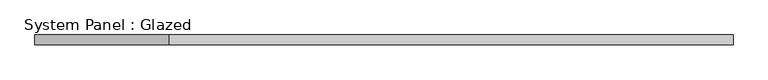
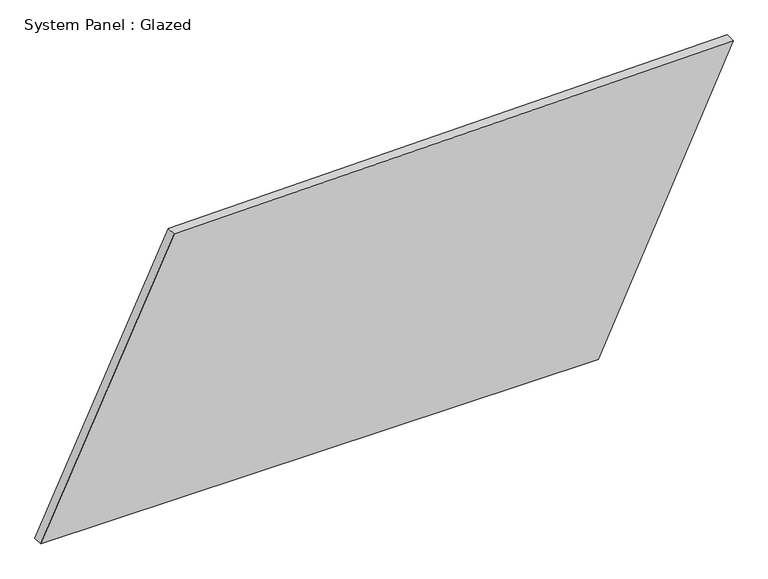
"""IFC4 building model written with IfcOpenShell, lengths in millimetres: plate geometry, System Panel : Glazed."""

import ifcopenshell
import ifcopenshell.guid

model = None  # the IFC model being written
_history = None  # IfcOwnerHistory: only IFC2X3 demands one
_inside = {}  # id of a spatial element -> (the spatial element, [elements in it])
_under = {}  # id of a project, library or spatial element -> (it, [spatial elements below it])
_declared = {}  # id of a project -> (the project, [libraries it declares])
_typed = {}  # id of a type object -> (the type object, [elements of that type])
_made_of = {}  # id of a material, layer set ... -> (it, [elements and type objects made of it])


def new_model(schema):
    """Start an empty IFC model of exactly this schema.

    Asked for "IFC4X3", IfcOpenShell would pick the latest addendum, in which some entities
    have other attributes; the version numbers below select the first issue.
    IFC2X3 requires an IfcOwnerHistory on every rooted entity: one is made here for all.
    """
    global model, _history
    if schema == "IFC4X3":
        model = ifcopenshell.file(schema_version=(4, 3, 0, 0))
    else:
        model = ifcopenshell.file(schema=schema)
    _inside.clear()
    _under.clear()
    _declared.clear()
    _typed.clear()
    _made_of.clear()
    _history = None
    if model.schema == "IFC2X3":
        org = make("IfcOrganization", Name="unknown")
        user = make(
            "IfcPersonAndOrganization",
            ThePerson=make("IfcPerson", FamilyName="unknown"),
            TheOrganization=org,
        )
        app = make(
            "IfcApplication",
            ApplicationDeveloper=org,
            Version="unknown",
            ApplicationFullName="unknown",
            ApplicationIdentifier="unknown",
        )
        _history = make(
            "IfcOwnerHistory",
            OwningUser=user,
            OwningApplication=app,
            ChangeAction="ADDED",
            CreationDate=0,
        )
    return model


def make(cls, **values):
    """One entity of the class cls with the attributes given. An attribute that is None is left unset."""
    return model.create_entity(
        cls, **{name: value for name, value in values.items() if value is not None}
    )


def rooted(cls, **values):
    """An entity with a GlobalId (a new one), such as an element, a storey or a relation."""
    return make(cls, GlobalId=ifcopenshell.guid.new(), OwnerHistory=_history, **values)


def si_unit(unit_type, name, prefix=None):
    """IfcSIUnit, for example si_unit("LENGTHUNIT", "METRE", prefix="MILLI")."""
    return make("IfcSIUnit", UnitType=unit_type, Prefix=prefix, Name=name)


def assignment(units):
    """IfcUnitAssignment: the units of a project."""
    return None if units is None else make("IfcUnitAssignment", Units=units)


def point(xyz):
    """IfcCartesianPoint."""
    return None if xyz is None else make("IfcCartesianPoint", Coordinates=xyz)


def direction(xyz):
    """IfcDirection."""
    return None if xyz is None else make("IfcDirection", DirectionRatios=xyz)


def frame(location, z_axis=None, x_axis=None):
    """IfcAxis2Placement3D, a coordinate frame: its origin and axes. An axis left out is left unset."""
    return make(
        "IfcAxis2Placement3D",
        Location=point(location),
        Axis=direction(z_axis),
        RefDirection=direction(x_axis),
    )


def origin():
    """The frame at (0, 0, 0) with its axes left unset."""
    return frame((0.0, 0.0, 0.0))


def place(relative_to, where):
    """IfcLocalPlacement: puts the frame where relative to a parent placement (None: the world)."""
    return make(
        "IfcLocalPlacement", PlacementRelTo=relative_to, RelativePlacement=where
    )


def context(
    kind, dimensions, precision=None, world=None, true_north=None, identifier=None
):
    """IfcGeometricRepresentationContext, for example the 3D "Model" context."""
    return make(
        "IfcGeometricRepresentationContext",
        ContextIdentifier=identifier,
        ContextType=kind,
        CoordinateSpaceDimension=dimensions,
        Precision=precision,
        WorldCoordinateSystem=world,
        TrueNorth=true_north,
    )


def project(units=None, contexts=None):
    """IfcProject with its units and contexts."""
    return rooted(
        "IfcProject",
        Name="project",
        RepresentationContexts=contexts,
        UnitsInContext=assignment(units),
    )


def spatial(cls, under=None, at=None, **own):
    """A site, building, storey or space (cls), placed at a placement, below another one or the project."""
    s = rooted(cls, ObjectPlacement=at, **own)
    if under is not None:
        _under.setdefault(under.id(), (under, []))[1].append(s)
    return s


def polyline(points):
    """IfcPolyline through the points."""
    return make("IfcPolyline", Points=[point(p) for p in points])


def outline(outer, holes=None, kind="AREA"):
    """IfcArbitraryClosedProfileDef: a profile drawn as a closed curve; with holes, ...WithVoids."""
    if holes is None:
        return make("IfcArbitraryClosedProfileDef", ProfileType=kind, OuterCurve=outer)
    return make(
        "IfcArbitraryProfileDefWithVoids",
        ProfileType=kind,
        OuterCurve=outer,
        InnerCurves=holes,
    )


def extrude(swept, where, along, depth):
    """IfcExtrudedAreaSolid: the profile swept, set in the frame where, extruded along a direction by depth."""
    return make(
        "IfcExtrudedAreaSolid",
        SweptArea=swept,
        Position=where,
        ExtrudedDirection=direction(along),
        Depth=depth,
    )


def shape(context_of_items, identifier, shape_type, items):
    """IfcShapeRepresentation: the items that make up one representation, for example the "Body"."""
    return make(
        "IfcShapeRepresentation",
        ContextOfItems=context_of_items,
        RepresentationIdentifier=identifier,
        RepresentationType=shape_type,
        Items=items,
    )


def source(mapping_origin, context_of_items, identifier, shape_type, items):
    """IfcRepresentationMap: a shape defined once, which mapped items show again and again."""
    return make(
        "IfcRepresentationMap",
        MappingOrigin=mapping_origin,
        MappedRepresentation=shape(context_of_items, identifier, shape_type, items),
    )


def transform(
    local_origin,
    x_axis=None,
    y_axis=None,
    z_axis=None,
    scale=None,
    scale2=None,
    scale3=None,
    uniform=True,
):
    """IfcCartesianTransformationOperator3D, or its non-uniform kind. x_axis, y_axis, z_axis: its Axis1, 2, 3."""
    if uniform:
        return make(
            "IfcCartesianTransformationOperator3D",
            Axis1=direction(x_axis),
            Axis2=direction(y_axis),
            LocalOrigin=point(local_origin),
            Scale=scale,
            Axis3=direction(z_axis),
        )
    return make(
        "IfcCartesianTransformationOperator3DnonUniform",
        Axis1=direction(x_axis),
        Axis2=direction(y_axis),
        LocalOrigin=point(local_origin),
        Scale=scale,
        Axis3=direction(z_axis),
        Scale2=scale2,
        Scale3=scale3,
    )


def mapped(mapping_source, mapping_target):
    """IfcMappedItem: shows the shape of a source again, moved by a transform."""
    return make(
        "IfcMappedItem", MappingSource=mapping_source, MappingTarget=mapping_target
    )


def made_of(thing, what):
    """Note that an element or type object is made of a material, layer set ...; save() writes the relation."""
    if what is not None:
        _made_of.setdefault(what.id(), (what, []))[1].append(thing)
    return thing


def element(
    cls,
    number,
    at=None,
    inside=None,
    cuts=None,
    type_object=None,
    material=None,
    context=None,
    identifier="Body",
    shape_type=None,
    held_by="IfcProductDefinitionShape",
    body=None,
    shapes=None,
    **own,
):
    """One element of the class cls, such as IfcWall. Its Tag is "e" and its number.

    at: its placement. inside: the storey or other place that contains it. cuts: it is an
    opening in that element (IfcRelVoidsElement). A single representation is given by context,
    identifier, shape_type and body (its items); several are given by shapes. held_by: the class
    of the entity that holds the representations. save() writes the other relations.
    """
    e = rooted(cls, Tag="e%d" % number, ObjectPlacement=at, **own)
    if body is not None:
        shapes = [shape(context, identifier, shape_type, body)]
    if shapes is not None:
        e.Representation = make(held_by, Representations=shapes)
    if inside is not None:
        _inside.setdefault(inside.id(), (inside, []))[1].append(e)
    if cuts is not None:
        rooted(
            "IfcRelVoidsElement", RelatingBuildingElement=cuts, RelatedOpeningElement=e
        )
    if type_object is not None:
        _typed.setdefault(type_object.id(), (type_object, []))[1].append(e)
    return made_of(e, material)


def aggregate(whole, parts):
    """IfcRelAggregates: a whole, such as a stair, and the parts it consists of."""
    return rooted("IfcRelAggregates", RelatingObject=whole, RelatedObjects=parts)


def save(model, path):
    """Write the relations noted so far, then the file.

    IfcRelAggregates (storeys below a building ...), IfcRelContainedInSpatialStructure (elements
    in a storey), IfcRelDefinesByType, IfcRelAssociatesMaterial and IfcRelDeclares: one each for
    every whole, place, type object, material and project.
    """
    for whole, parts in _under.values():
        aggregate(whole, parts)
    for where, things in _inside.values():
        rooted(
            "IfcRelContainedInSpatialStructure",
            RelatedElements=things,
            RelatingStructure=where,
        )
    for kind, things in _typed.values():
        rooted("IfcRelDefinesByType", RelatedObjects=things, RelatingType=kind)
    for what, things in _made_of.values():
        rooted("IfcRelAssociatesMaterial", RelatedObjects=things, RelatingMaterial=what)
    for by, libraries in _declared.values():
        rooted("IfcRelDeclares", RelatingContext=by, RelatedDefinitions=libraries)
    model.write(path)


def system_panel_glazed_625e01a6(model_context):
    return source(origin(), model_context, "Body", "SweptSolid", [
        extrude(outline(polyline([(0.0, -875.493787), (0.0, 534.1510023), (733.5276783, 875.493787), (710.5280455, -538.034438), (0.0, -875.493787)])), frame((0.0, -49.5, 0.0), z_axis=(0.0, 1.0, 0.0), x_axis=(0.0, 0.0, 1.0)), (0.0, 0.0, 1.0), 25.0),
    ])


if __name__ == "__main__":
    model = new_model("IFC4")
    model_context = context("Model", 3, world=origin())
    ifc_project = project(units=[si_unit("LENGTHUNIT", "METRE", prefix="MILLI")], contexts=[model_context])
    site = spatial("IfcSite", under=ifc_project)
    building = spatial("IfcBuilding", under=site)
    placement = place(None, origin())
    system_panel_glazed_shape = system_panel_glazed_625e01a6(model_context)
    element("IfcPlate", 1, ObjectType="System Panel : Glazed", at=placement, inside=building, context=model_context, shape_type="MappedRepresentation", body=[
        mapped(system_panel_glazed_shape, transform((0.0, 0.0, 0.0), x_axis=(1.0, 0.0, 0.0), y_axis=(0.0, 1.0, 0.0), z_axis=(0.0, 0.0, 1.0))),
    ])
    save(model, "model.ifc")
